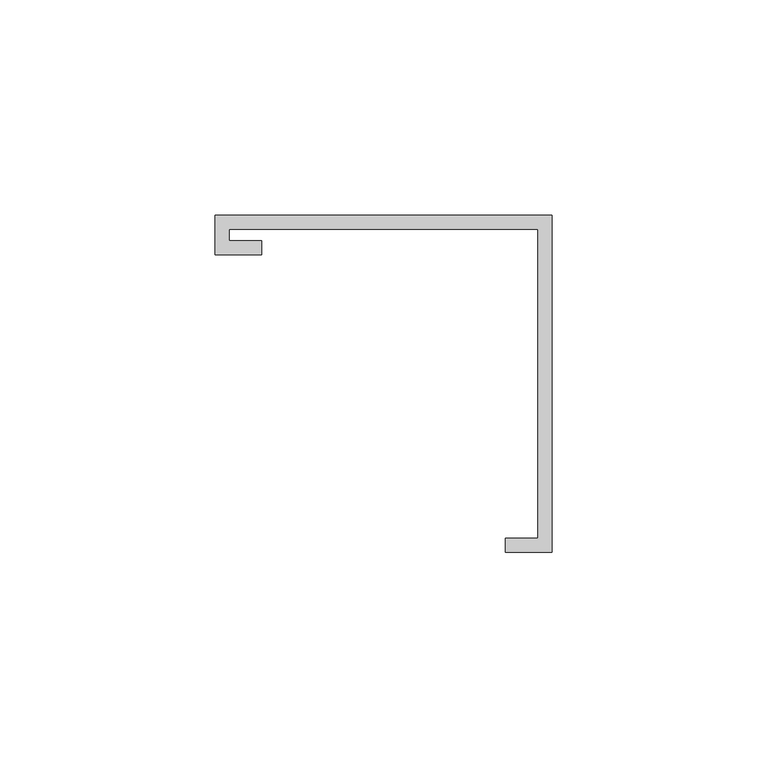
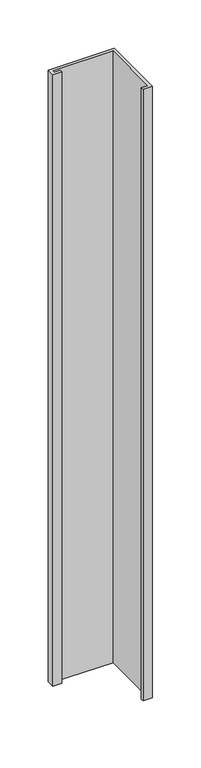
"""IFC4 building model written with IfcOpenShell, lengths in millimetres: furniture geometry."""

from ifc_helpers import new_model, si_unit, frame, origin, place, context, project, spatial, polyline, outline, extrude, source, transform, mapped, element, save


def furniture_331d5317(model_context):
    return source(origin(), model_context, "Body", "SweptSolid", [
        extrude(outline(polyline([(-39.0921875, 29.9735875), (-39.0921875, 39.0921875), (39.0921875, 39.0921875), (39.0921875, -39.0921875), (28.2971875, -39.0921875), (28.2971875, -35.9171875), (35.9171875, -35.9171875), (35.9171875, 35.9171875), (-35.9171875, 35.9171875), (-35.9171875, 33.1485875), (-28.2971875, 33.1485875), (-28.2971875, 29.9735875), (-39.0921875, 29.9735875)])), frame((0.0, 0.0, 1244.6), z_axis=(0.0, 0.0, 1.0), x_axis=(1.0, 0.0, 0.0)), (0.0, 0.0, 1.0), 769.8382813),
    ])


if __name__ == "__main__":
    model = new_model("IFC4")
    model_context = context("Model", 3, world=origin())
    ifc_project = project(units=[si_unit("LENGTHUNIT", "METRE", prefix="MILLI")], contexts=[model_context])
    site = spatial("IfcSite", under=ifc_project)
    building = spatial("IfcBuilding", under=site)
    placement = place(None, origin())
    furniture_shape = furniture_331d5317(model_context)
    element("IfcFurniture", 1, at=placement, inside=building, context=model_context, shape_type="MappedRepresentation", body=[
        mapped(furniture_shape, transform((0.0, 0.0, 0.0), x_axis=(1.0, 0.0, 0.0), y_axis=(0.0, 1.0, 0.0), z_axis=(0.0, 0.0, 1.0))),
    ])
    save(model, "model.ifc")
